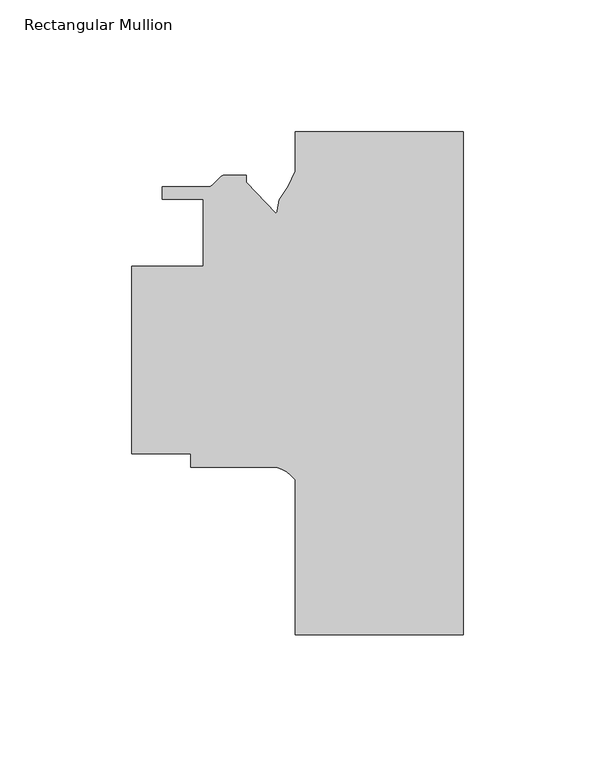
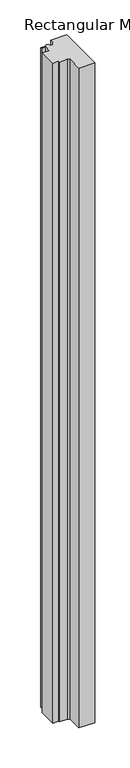
"""IFC4 building model written with IfcOpenShell, lengths in millimetres: member geometry, Rectangular Mullion."""

from ifc_helpers import new_model, si_unit, point, frame, frame_2d, origin, place, context, project, spatial, polyline, circle_curve, trimmed, segment, composite_curve, outline, extrude, source, transform, mapped, element, save


def rectangular_mullion_96d9c3a2(model_context):
    return source(origin(), model_context, "Body", "SweptSolid", [
        extrude(outline(composite_curve([segment(polyline([(-63.515875, -190.499995), (-63.515875, -131.8385648)]), True, "CONTINUOUS"), segment(trimmed(circle_curve(frame_2d((-74.3355566, -140.2308137)), 13.6928942), [point((-63.515875, -131.8385648))], [point((-70.8083876, -127.0))], True, "CARTESIAN"), True, "CONTINUOUS"), segment(polyline([(-70.8083876, -127.0), (-103.203375, -127.0), (-103.203375, -121.92), (-125.428375, -121.92), (-125.428375, -50.8), (-98.440875, -50.8), (-98.440875, -25.4000001), (-113.9420245, -25.4000001), (-113.9420245, -20.701), (-96.2959885, -20.701)]), True, "CONTINUOUS"), segment(trimmed(circle_curve(frame_2d((-96.2959885, -18.923)), 1.778), [point((-96.2959885, -20.701))], [point((-95.0387526, -20.1802359))], True, "CARTESIAN"), True, "CONTINUOUS"), segment(polyline([(-95.0387526, -20.1802359), (-91.8130809, -16.9545641)]), True, "CONTINUOUS"), segment(trimmed(circle_curve(frame_2d((-90.555845, -18.2118)), 1.778), [point((-91.8130809, -16.9545641))], [point((-90.555845, -16.4338))], False, "CARTESIAN"), True, "CONTINUOUS"), segment(polyline([(-90.555845, -16.4338), (-82.1920245, -16.4338), (-82.1920245, -18.9737999), (-70.9430687, -30.7852035)]), True, "CONTINUOUS"), segment(trimmed(circle_curve(frame_2d((-71.595385, -29.6955322)), 1.27), [point((-70.9430687, -30.7852035))], [point((-70.3446792, -29.9160654))], True, "CARTESIAN"), True, "CONTINUOUS"), segment(polyline([(-70.3446792, -29.9160654), (-69.6088194, -25.7427974)]), True, "CONTINUOUS"), segment(trimmed(circle_curve(frame_2d((-115.1716052, 7.0136419)), 56.1155216), [point((-69.6088194, -25.7427974))], [point((-63.515875, -14.9097999))], True, "CARTESIAN"), True, "CONTINUOUS"), segment(polyline([(-63.515875, -14.9097999), (-63.515875, 0.0), (0.0, 0.0), (0.0, -190.499995), (-63.515875, -190.499995)]), True, "CONTINUOUS")], self_intersect=False)), frame((0.0, 0.0, -2743.2), z_axis=(0.0, 0.0, 1.0), x_axis=(1.0, 0.0, 0.0)), (0.0, 0.0, 1.0), 2743.2),
    ])


if __name__ == "__main__":
    model = new_model("IFC4")
    model_context = context("Model", 3, world=origin())
    ifc_project = project(units=[si_unit("LENGTHUNIT", "METRE", prefix="MILLI")], contexts=[model_context])
    site = spatial("IfcSite", under=ifc_project)
    building = spatial("IfcBuilding", under=site)
    placement = place(None, origin())
    rectangular_mullion_shape = rectangular_mullion_96d9c3a2(model_context)
    element("IfcMember", 1, ObjectType="Rectangular Mullion", at=placement, inside=building, context=model_context, shape_type="MappedRepresentation", body=[
        mapped(rectangular_mullion_shape, transform((0.0, 0.0, 0.0), x_axis=(1.0, 0.0, 0.0), y_axis=(0.0, 1.0, 0.0), z_axis=(0.0, 0.0, 1.0))),
    ])
    save(model, "model.ifc")
